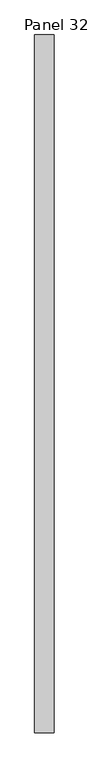
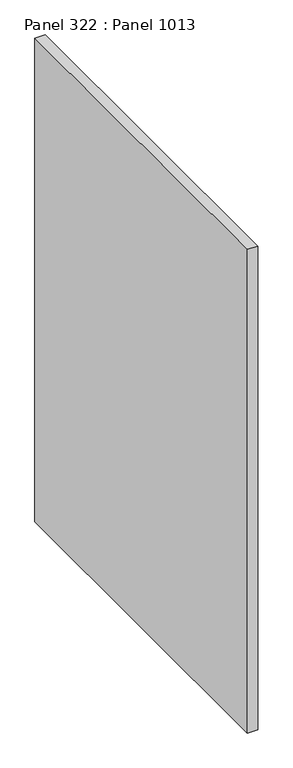
"""IFC4 building model written with IfcOpenShell, lengths in millimetres: proxy geometry, Panel 322 : Panel 1013."""

from ifc_helpers import new_model, si_unit, frame, origin, place, context, project, spatial, polyline, outline, extrude, source, transform, mapped, element, save


def panel_322_panel_1013_677674a6(model_context):
    return source(origin(), model_context, "Body", "SweptSolid", [
        extrude(outline(polyline([(39817.4759526, 334405.7854597), (39767.4759105, 334405.7854593), (39767.4759752, 336205.7854498), (39817.4760173, 336205.7854502), (39817.4759526, 334405.7854597)])), frame((0.0, 0.0, 34575.0), z_axis=(0.0, 0.0, 1.0), x_axis=(1.0, 0.0, 0.0)), (0.0, 0.0, 1.0), 2500.0),
    ])


if __name__ == "__main__":
    model = new_model("IFC4")
    model_context = context("Model", 3, world=origin())
    ifc_project = project(units=[si_unit("LENGTHUNIT", "METRE", prefix="MILLI")], contexts=[model_context])
    site = spatial("IfcSite", under=ifc_project)
    building = spatial("IfcBuilding", under=site)
    placement = place(None, origin())
    panel_322_panel_1013_shape = panel_322_panel_1013_677674a6(model_context)
    element("IfcBuildingElementProxy", 1, Name="Panel 322 : Panel 1013", ObjectType="Panel 322 : Panel 1013", at=placement, inside=building, context=model_context, shape_type="MappedRepresentation", body=[
        mapped(panel_322_panel_1013_shape, transform((0.0, 0.0, 0.0), x_axis=(1.0, 0.0, 0.0), y_axis=(0.0, 1.0, 0.0), z_axis=(0.0, 0.0, 1.0))),
    ])
    save(model, "model.ifc")
